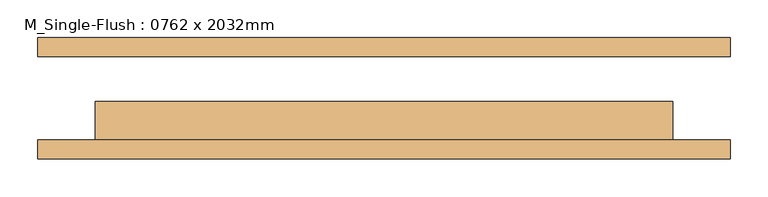
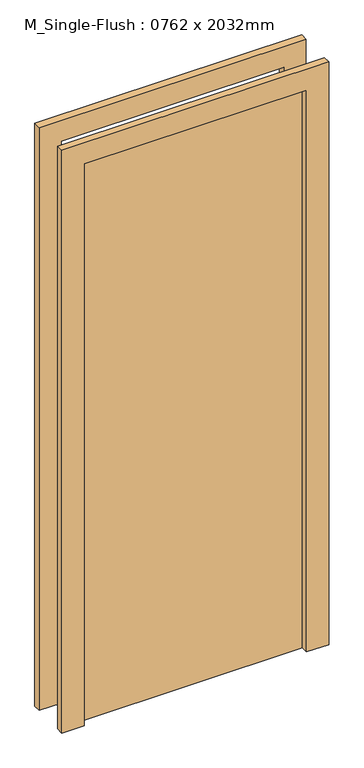
"""IFC4 building model written with IfcOpenShell, lengths in millimetres: door geometry, M_Single-Flush : 0762 x 2032mm."""

from ifc_helpers import new_model, si_unit, frame, origin, origin_with_axes, place, context, project, spatial, polyline, outline, extrude, source, transform, mapped, element, save


def m_single_flush_0762_x_2032mm_81bbf31b(model_context):
    return source(origin(), model_context, "Body", "SweptSolid", [
        extrude(outline(polyline([(2108.0, -457.0), (0.0, -457.0), (0.0, -381.0), (2032.0, -381.0), (2032.0, 381.0), (0.0, 381.0), (0.0, 457.0), (2108.0, 457.0), (2108.0, -457.0)])), frame((0.0, -80.0, 0.0), z_axis=(0.0, 1.0, 0.0), x_axis=(0.0, 0.0, 1.0)), (0.0, 0.0, 1.0), 25.0),
        extrude(outline(polyline([(2108.0, 457.0), (2108.0, -457.0), (0.0, -457.0), (0.0, -381.0), (2032.0, -381.0), (2032.0, 381.0), (0.0, 381.0), (0.0, 457.0), (2108.0, 457.0)])), frame((0.0, 55.0, 0.0), z_axis=(0.0, 1.0, 0.0), x_axis=(0.0, 0.0, 1.0)), (0.0, 0.0, 1.0), 25.0),
        extrude(outline(polyline([(381.0, -4.0), (381.0, -55.0), (-381.0, -55.0), (-381.0, -4.0), (381.0, -4.0)])), origin_with_axes(), (0.0, 0.0, 1.0), 2032.0),
    ])


if __name__ == "__main__":
    model = new_model("IFC4")
    model_context = context("Model", 3, world=origin())
    ifc_project = project(units=[si_unit("LENGTHUNIT", "METRE", prefix="MILLI")], contexts=[model_context])
    site = spatial("IfcSite", under=ifc_project)
    building = spatial("IfcBuilding", under=site)
    placement = place(None, origin())
    m_single_flush_0762_x_2032mm_shape = m_single_flush_0762_x_2032mm_81bbf31b(model_context)
    element("IfcDoor", 1, ObjectType="M_Single-Flush : 0762 x 2032mm", at=placement, inside=building, context=model_context, shape_type="MappedRepresentation", body=[
        mapped(m_single_flush_0762_x_2032mm_shape, transform((0.0, 0.0, 0.0), x_axis=(1.0, 0.0, 0.0), y_axis=(0.0, 1.0, 0.0), z_axis=(0.0, 0.0, 1.0))),
    ])
    save(model, "model.ifc")
